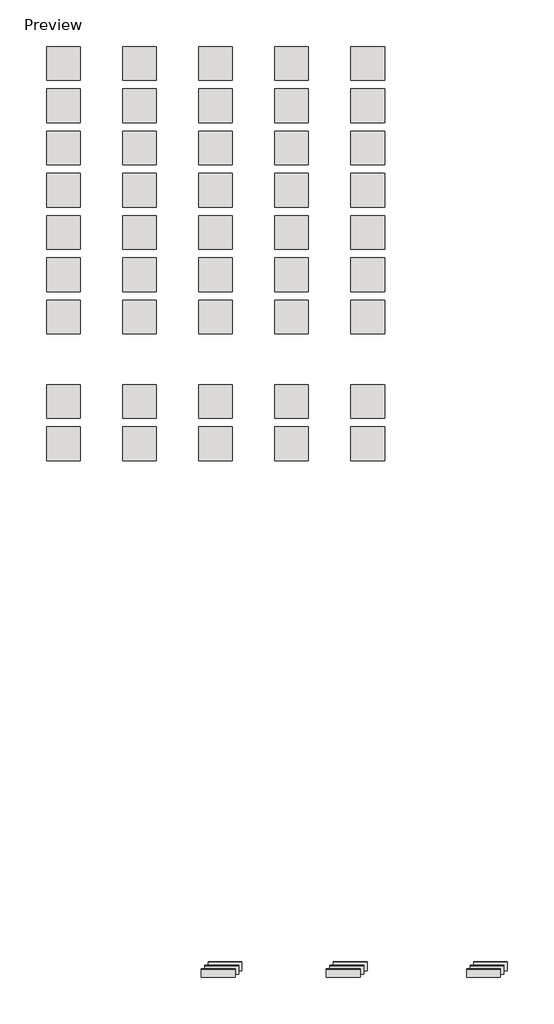
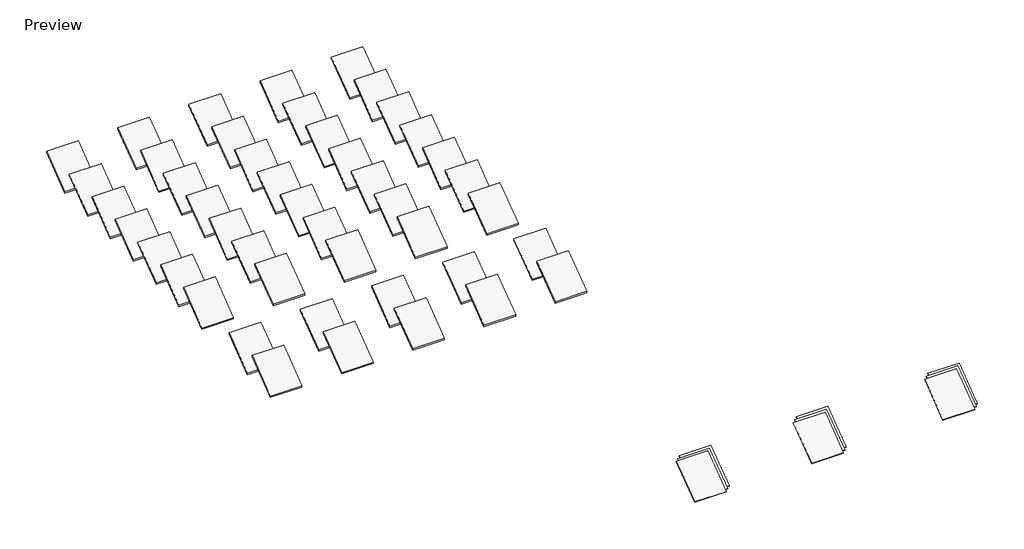
# One storey: 54 roofs.
"""IFC4 building model written with IfcOpenShell, lengths in millimetres."""

from ifc_helpers import new_model, si_unit, frame, origin, place, context, project, spatial, polyline, outline, extrude, element, save

model = new_model("IFC4")

# Units and contexts
model_context = context("Model", 3, world=origin())
ifc_project = project(units=[si_unit("LENGTHUNIT", "METRE", prefix="MILLI")], contexts=[model_context])

# Site, building, storey
site = spatial("IfcSite", under=ifc_project)
building = spatial("IfcBuilding", under=site)
storey = spatial("IfcBuildingStorey", under=building, Name="Preview", Elevation=0.0)

# Roofs
placement = place(None, origin())
element("IfcRoof", 1, at=placement, inside=storey, context=model_context, shape_type="SweptSolid", body=[
    extrude(outline(polyline([(-10482.4958694, 65.484375), (-4386.4958694, 4637.484375), (-4386.4958694, 4572.0), (-10482.4958694, 0.0), (-10482.4958694, 65.484375)])), frame((6738.8869015, 0.0, 0.0), z_axis=(1.0, 0.0, 0.0), x_axis=(0.0, 1.0, 0.0)), (0.0, 0.0, 1.0), 6096.0),
])
element("IfcRoof", 2, at=placement, inside=storey, context=model_context, shape_type="SweptSolid", body=[
    extrude(outline(polyline([(-10482.4958694, 65.484375), (-4386.4958694, 4637.484375), (-4386.4958694, 4572.0), (-10482.4958694, 0.0), (-10482.4958694, 65.484375)])), frame((32037.2869015, 0.0, 0.0), z_axis=(1.0, 0.0, 0.0), x_axis=(0.0, 1.0, 0.0)), (0.0, 0.0, 1.0), 6096.0),
])
element("IfcRoof", 3, at=placement, inside=storey, context=model_context, shape_type="SweptSolid", body=[
    extrude(outline(polyline([(-9293.4062461, 65.484375), (-3197.4062461, 4637.484375), (-3197.4062461, 4572.0), (-9293.4062461, 0.0), (-9293.4062461, 65.484375)])), frame((-14586.0155177, 0.0, 0.0), z_axis=(1.0, 0.0, 0.0), x_axis=(0.0, 1.0, 0.0)), (0.0, 0.0, 1.0), 6096.0),
])
element("IfcRoof", 4, at=placement, inside=storey, context=model_context, shape_type="SweptSolid", body=[
    extrude(outline(polyline([(-9293.4062461, 65.484375), (-3197.4062461, 4637.484375), (-3197.4062461, 4572.0), (-9293.4062461, 0.0), (-9293.4062461, 65.484375)])), frame((7969.1844823, 0.0, 0.0), z_axis=(1.0, 0.0, 0.0), x_axis=(0.0, 1.0, 0.0)), (0.0, 0.0, 1.0), 6096.0),
])
element("IfcRoof", 5, at=placement, inside=storey, context=model_context, shape_type="SweptSolid", body=[
    extrude(outline(polyline([(-9293.4062461, 65.484375), (-3197.4062461, 4637.484375), (-3197.4062461, 4572.0), (-9293.4062461, 0.0), (-9293.4062461, 65.484375)])), frame((33267.5844823, 0.0, 0.0), z_axis=(1.0, 0.0, 0.0), x_axis=(0.0, 1.0, 0.0)), (0.0, 0.0, 1.0), 6096.0),
])
element("IfcRoof", 6, at=placement, inside=storey, context=model_context, shape_type="SweptSolid", body=[
    extrude(outline(polyline([(-10482.4958694, 65.484375), (-4386.4958694, 4637.484375), (-4386.4958694, 4572.0), (-10482.4958694, 0.0), (-10482.4958694, 65.484375)])), frame((-15816.3130985, 0.0, 0.0), z_axis=(1.0, 0.0, 0.0), x_axis=(0.0, 1.0, 0.0)), (0.0, 0.0, 1.0), 6096.0),
])
element("IfcRoof", 7, at=placement, inside=storey, context=model_context, shape_type="SweptSolid", body=[
    extrude(outline(polyline([(-9876.114374, 65.484375), (-3780.114374, 4637.484375), (-3780.114374, 4572.0), (-9876.114374, 0.0), (-9876.114374, 65.484375)])), frame((7359.5844823, 0.0, 0.0), z_axis=(1.0, 0.0, 0.0), x_axis=(0.0, 1.0, 0.0)), (0.0, 0.0, 1.0), 6096.0),
])
element("IfcRoof", 8, at=placement, inside=storey, context=model_context, shape_type="SweptSolid", body=[
    extrude(outline(polyline([(-9876.114374, 65.484375), (-3780.114374, 4637.484375), (-3780.114374, 4572.0), (-9876.114374, 0.0), (-9876.114374, 65.484375)])), frame((32657.9844823, 0.0, 0.0), z_axis=(1.0, 0.0, 0.0), x_axis=(0.0, 1.0, 0.0)), (0.0, 0.0, 1.0), 6096.0),
])
element("IfcRoof", 9, at=placement, inside=storey, context=model_context, shape_type="SweptSolid", body=[
    extrude(outline(polyline([(-9876.114374, 65.484375), (-3780.114374, 4637.484375), (-3780.114374, 4572.0), (-9876.114374, 0.0), (-9876.114374, 65.484375)])), frame((-15195.6155177, 0.0, 0.0), z_axis=(1.0, 0.0, 0.0), x_axis=(0.0, 1.0, 0.0)), (0.0, 0.0, 1.0), 6096.0),
])
element("IfcRoof", 10, at=placement, inside=storey, context=model_context, shape_type="SweptSolid", body=[
    extrude(outline(polyline([(82744.405413, -25116.3184887), (88840.405413, -20544.3184887), (88840.405413, -20830.0684887), (82744.405413, -25402.0684887), (82744.405413, -25116.3184887)])), frame((-43742.1296739, 0.0, 0.0), z_axis=(1.0, 0.0, 0.0), x_axis=(0.0, 1.0, 0.0)), (0.0, 0.0, 1.0), 6096.0),
])
element("IfcRoof", 11, at=placement, inside=storey, context=model_context, shape_type="SweptSolid", body=[
    extrude(outline(polyline([(82744.405413, -25116.3184887), (88840.405413, -20544.3184887), (88840.405413, -20830.0684887), (82744.405413, -25402.0684887), (82744.405413, -25116.3184887)])), frame((-30026.1296739, 0.0, 0.0), z_axis=(1.0, 0.0, 0.0), x_axis=(0.0, 1.0, 0.0)), (0.0, 0.0, 1.0), 6096.0),
])
element("IfcRoof", 12, at=placement, inside=storey, context=model_context, shape_type="SweptSolid", body=[
    extrude(outline(polyline([(82744.405413, -25116.3184887), (88840.405413, -20544.3184887), (88840.405413, -20830.0684887), (82744.405413, -25402.0684887), (82744.405413, -25116.3184887)])), frame((-16310.1296739, 0.0, 0.0), z_axis=(1.0, 0.0, 0.0), x_axis=(0.0, 1.0, 0.0)), (0.0, 0.0, 1.0), 6096.0),
])
element("IfcRoof", 13, at=placement, inside=storey, context=model_context, shape_type="SweptSolid", body=[
    extrude(outline(polyline([(82744.405413, -25116.3184887), (88840.405413, -20544.3184887), (88840.405413, -20830.0684887), (82744.405413, -25402.0684887), (82744.405413, -25116.3184887)])), frame((-2594.1296739, 0.0, 0.0), z_axis=(1.0, 0.0, 0.0), x_axis=(0.0, 1.0, 0.0)), (0.0, 0.0, 1.0), 6096.0),
])
element("IfcRoof", 14, at=placement, inside=storey, context=model_context, shape_type="SweptSolid", body=[
    extrude(outline(polyline([(82744.405413, -25116.3184887), (88840.405413, -20544.3184887), (88840.405413, -20830.0684887), (82744.405413, -25402.0684887), (82744.405413, -25116.3184887)])), frame((11121.8703261, 0.0, 0.0), z_axis=(1.0, 0.0, 0.0), x_axis=(0.0, 1.0, 0.0)), (0.0, 0.0, 1.0), 6096.0),
])
element("IfcRoof", 15, at=placement, inside=storey, context=model_context, shape_type="SweptSolid", body=[
    extrude(outline(polyline([(90364.405413, -25116.3184887), (96460.405413, -20544.3184887), (96460.405413, -20830.0684887), (90364.405413, -25402.0684887), (90364.405413, -25116.3184887)])), frame((-43742.1296739, 0.0, 0.0), z_axis=(1.0, 0.0, 0.0), x_axis=(0.0, 1.0, 0.0)), (0.0, 0.0, 1.0), 6096.0),
])
element("IfcRoof", 16, at=placement, inside=storey, context=model_context, shape_type="SweptSolid", body=[
    extrude(outline(polyline([(90364.405413, -25116.3184887), (96460.405413, -20544.3184887), (96460.405413, -20830.0684887), (90364.405413, -25402.0684887), (90364.405413, -25116.3184887)])), frame((-30026.1296739, 0.0, 0.0), z_axis=(1.0, 0.0, 0.0), x_axis=(0.0, 1.0, 0.0)), (0.0, 0.0, 1.0), 6096.0),
])
element("IfcRoof", 17, at=placement, inside=storey, context=model_context, shape_type="SweptSolid", body=[
    extrude(outline(polyline([(90364.405413, -25116.3184887), (96460.405413, -20544.3184887), (96460.405413, -20830.0684887), (90364.405413, -25402.0684887), (90364.405413, -25116.3184887)])), frame((-16310.1296739, 0.0, 0.0), z_axis=(1.0, 0.0, 0.0), x_axis=(0.0, 1.0, 0.0)), (0.0, 0.0, 1.0), 6096.0),
])
element("IfcRoof", 18, at=placement, inside=storey, context=model_context, shape_type="SweptSolid", body=[
    extrude(outline(polyline([(90364.405413, -25116.3184887), (96460.405413, -20544.3184887), (96460.405413, -20830.0684887), (90364.405413, -25402.0684887), (90364.405413, -25116.3184887)])), frame((-2594.1296739, 0.0, 0.0), z_axis=(1.0, 0.0, 0.0), x_axis=(0.0, 1.0, 0.0)), (0.0, 0.0, 1.0), 6096.0),
])
element("IfcRoof", 19, at=placement, inside=storey, context=model_context, shape_type="SweptSolid", body=[
    extrude(outline(polyline([(90364.405413, -25116.3184887), (96460.405413, -20544.3184887), (96460.405413, -20830.0684887), (90364.405413, -25402.0684887), (90364.405413, -25116.3184887)])), frame((11121.8703261, 0.0, 0.0), z_axis=(1.0, 0.0, 0.0), x_axis=(0.0, 1.0, 0.0)), (0.0, 0.0, 1.0), 6096.0),
])
element("IfcRoof", 20, at=placement, inside=storey, context=model_context, shape_type="SweptSolid", body=[
    extrude(outline(polyline([(105604.405413, -25116.3184887), (111700.405413, -20544.3184887), (111700.405413, -20830.0684887), (105604.405413, -25402.0684887), (105604.405413, -25116.3184887)])), frame((-43742.1296739, 0.0, 0.0), z_axis=(1.0, 0.0, 0.0), x_axis=(0.0, 1.0, 0.0)), (0.0, 0.0, 1.0), 6096.0),
])
element("IfcRoof", 21, at=placement, inside=storey, context=model_context, shape_type="SweptSolid", body=[
    extrude(outline(polyline([(105604.405413, -25116.3184887), (111700.405413, -20544.3184887), (111700.405413, -20830.0684887), (105604.405413, -25402.0684887), (105604.405413, -25116.3184887)])), frame((-30026.1296739, 0.0, 0.0), z_axis=(1.0, 0.0, 0.0), x_axis=(0.0, 1.0, 0.0)), (0.0, 0.0, 1.0), 6096.0),
])
element("IfcRoof", 22, at=placement, inside=storey, context=model_context, shape_type="SweptSolid", body=[
    extrude(outline(polyline([(105604.405413, -25116.3184887), (111700.405413, -20544.3184887), (111700.405413, -20830.0684887), (105604.405413, -25402.0684887), (105604.405413, -25116.3184887)])), frame((-16310.1296739, 0.0, 0.0), z_axis=(1.0, 0.0, 0.0), x_axis=(0.0, 1.0, 0.0)), (0.0, 0.0, 1.0), 6096.0),
])
element("IfcRoof", 23, at=placement, inside=storey, context=model_context, shape_type="SweptSolid", body=[
    extrude(outline(polyline([(105604.405413, -25116.3184887), (111700.405413, -20544.3184887), (111700.405413, -20830.0684887), (105604.405413, -25402.0684887), (105604.405413, -25116.3184887)])), frame((-2594.1296739, 0.0, 0.0), z_axis=(1.0, 0.0, 0.0), x_axis=(0.0, 1.0, 0.0)), (0.0, 0.0, 1.0), 6096.0),
])
element("IfcRoof", 24, at=placement, inside=storey, context=model_context, shape_type="SweptSolid", body=[
    extrude(outline(polyline([(105604.405413, -25116.3184887), (111700.405413, -20544.3184887), (111700.405413, -20830.0684887), (105604.405413, -25402.0684887), (105604.405413, -25116.3184887)])), frame((11121.8703261, 0.0, 0.0), z_axis=(1.0, 0.0, 0.0), x_axis=(0.0, 1.0, 0.0)), (0.0, 0.0, 1.0), 6096.0),
])
element("IfcRoof", 25, at=placement, inside=storey, context=model_context, shape_type="SweptSolid", body=[
    extrude(outline(polyline([(113224.405413, -25116.3184887), (119320.405413, -20544.3184887), (119320.405413, -20830.0684887), (113224.405413, -25402.0684887), (113224.405413, -25116.3184887)])), frame((-43742.1296739, 0.0, 0.0), z_axis=(1.0, 0.0, 0.0), x_axis=(0.0, 1.0, 0.0)), (0.0, 0.0, 1.0), 6096.0),
])
element("IfcRoof", 26, at=placement, inside=storey, context=model_context, shape_type="SweptSolid", body=[
    extrude(outline(polyline([(113224.405413, -25116.3184887), (119320.405413, -20544.3184887), (119320.405413, -20830.0684887), (113224.405413, -25402.0684887), (113224.405413, -25116.3184887)])), frame((-30026.1296739, 0.0, 0.0), z_axis=(1.0, 0.0, 0.0), x_axis=(0.0, 1.0, 0.0)), (0.0, 0.0, 1.0), 6096.0),
])
element("IfcRoof", 27, at=placement, inside=storey, context=model_context, shape_type="SweptSolid", body=[
    extrude(outline(polyline([(113224.405413, -25116.3184887), (119320.405413, -20544.3184887), (119320.405413, -20830.0684887), (113224.405413, -25402.0684887), (113224.405413, -25116.3184887)])), frame((-16310.1296739, 0.0, 0.0), z_axis=(1.0, 0.0, 0.0), x_axis=(0.0, 1.0, 0.0)), (0.0, 0.0, 1.0), 6096.0),
])
element("IfcRoof", 28, at=placement, inside=storey, context=model_context, shape_type="SweptSolid", body=[
    extrude(outline(polyline([(113224.405413, -25116.3184887), (119320.405413, -20544.3184887), (119320.405413, -20830.0684887), (113224.405413, -25402.0684887), (113224.405413, -25116.3184887)])), frame((-2594.1296739, 0.0, 0.0), z_axis=(1.0, 0.0, 0.0), x_axis=(0.0, 1.0, 0.0)), (0.0, 0.0, 1.0), 6096.0),
])
element("IfcRoof", 29, at=placement, inside=storey, context=model_context, shape_type="SweptSolid", body=[
    extrude(outline(polyline([(113224.405413, -25116.3184887), (119320.405413, -20544.3184887), (119320.405413, -20830.0684887), (113224.405413, -25402.0684887), (113224.405413, -25116.3184887)])), frame((11121.8703261, 0.0, 0.0), z_axis=(1.0, 0.0, 0.0), x_axis=(0.0, 1.0, 0.0)), (0.0, 0.0, 1.0), 6096.0),
])
element("IfcRoof", 30, at=placement, inside=storey, context=model_context, shape_type="SweptSolid", body=[
    extrude(outline(polyline([(120844.405413, -25116.3184887), (126940.405413, -20544.3184887), (126940.405413, -20830.0684887), (120844.405413, -25402.0684887), (120844.405413, -25116.3184887)])), frame((-43742.1296739, 0.0, 0.0), z_axis=(1.0, 0.0, 0.0), x_axis=(0.0, 1.0, 0.0)), (0.0, 0.0, 1.0), 6096.0),
])
element("IfcRoof", 31, at=placement, inside=storey, context=model_context, shape_type="SweptSolid", body=[
    extrude(outline(polyline([(120844.405413, -25116.3184887), (126940.405413, -20544.3184887), (126940.405413, -20830.0684887), (120844.405413, -25402.0684887), (120844.405413, -25116.3184887)])), frame((-30026.1296739, 0.0, 0.0), z_axis=(1.0, 0.0, 0.0), x_axis=(0.0, 1.0, 0.0)), (0.0, 0.0, 1.0), 6096.0),
])
element("IfcRoof", 32, at=placement, inside=storey, context=model_context, shape_type="SweptSolid", body=[
    extrude(outline(polyline([(120844.405413, -25116.3184887), (126940.405413, -20544.3184887), (126940.405413, -20830.0684887), (120844.405413, -25402.0684887), (120844.405413, -25116.3184887)])), frame((-16310.1296739, 0.0, 0.0), z_axis=(1.0, 0.0, 0.0), x_axis=(0.0, 1.0, 0.0)), (0.0, 0.0, 1.0), 6096.0),
])
element("IfcRoof", 33, at=placement, inside=storey, context=model_context, shape_type="SweptSolid", body=[
    extrude(outline(polyline([(120844.405413, -25116.3184887), (126940.405413, -20544.3184887), (126940.405413, -20830.0684887), (120844.405413, -25402.0684887), (120844.405413, -25116.3184887)])), frame((-2594.1296739, 0.0, 0.0), z_axis=(1.0, 0.0, 0.0), x_axis=(0.0, 1.0, 0.0)), (0.0, 0.0, 1.0), 6096.0),
])
element("IfcRoof", 34, at=placement, inside=storey, context=model_context, shape_type="SweptSolid", body=[
    extrude(outline(polyline([(120844.405413, -25116.3184887), (126940.405413, -20544.3184887), (126940.405413, -20830.0684887), (120844.405413, -25402.0684887), (120844.405413, -25116.3184887)])), frame((11121.8703261, 0.0, 0.0), z_axis=(1.0, 0.0, 0.0), x_axis=(0.0, 1.0, 0.0)), (0.0, 0.0, 1.0), 6096.0),
])
element("IfcRoof", 35, at=placement, inside=storey, context=model_context, shape_type="SweptSolid", body=[
    extrude(outline(polyline([(128464.405413, -25116.3184887), (134560.405413, -20544.3184887), (134560.405413, -20830.0684887), (128464.405413, -25402.0684887), (128464.405413, -25116.3184887)])), frame((-43742.1296739, 0.0, 0.0), z_axis=(1.0, 0.0, 0.0), x_axis=(0.0, 1.0, 0.0)), (0.0, 0.0, 1.0), 6096.0),
])
element("IfcRoof", 36, at=placement, inside=storey, context=model_context, shape_type="SweptSolid", body=[
    extrude(outline(polyline([(128464.405413, -25116.3184887), (134560.405413, -20544.3184887), (134560.405413, -20830.0684887), (128464.405413, -25402.0684887), (128464.405413, -25116.3184887)])), frame((-30026.1296739, 0.0, 0.0), z_axis=(1.0, 0.0, 0.0), x_axis=(0.0, 1.0, 0.0)), (0.0, 0.0, 1.0), 6096.0),
])
element("IfcRoof", 37, at=placement, inside=storey, context=model_context, shape_type="SweptSolid", body=[
    extrude(outline(polyline([(128464.405413, -25116.3184887), (134560.405413, -20544.3184887), (134560.405413, -20830.0684887), (128464.405413, -25402.0684887), (128464.405413, -25116.3184887)])), frame((-16310.1296739, 0.0, 0.0), z_axis=(1.0, 0.0, 0.0), x_axis=(0.0, 1.0, 0.0)), (0.0, 0.0, 1.0), 6096.0),
])
element("IfcRoof", 38, at=placement, inside=storey, context=model_context, shape_type="SweptSolid", body=[
    extrude(outline(polyline([(128464.405413, -25116.3184887), (134560.405413, -20544.3184887), (134560.405413, -20830.0684887), (128464.405413, -25402.0684887), (128464.405413, -25116.3184887)])), frame((-2594.1296739, 0.0, 0.0), z_axis=(1.0, 0.0, 0.0), x_axis=(0.0, 1.0, 0.0)), (0.0, 0.0, 1.0), 6096.0),
])
element("IfcRoof", 39, at=placement, inside=storey, context=model_context, shape_type="SweptSolid", body=[
    extrude(outline(polyline([(128464.405413, -25116.3184887), (134560.405413, -20544.3184887), (134560.405413, -20830.0684887), (128464.405413, -25402.0684887), (128464.405413, -25116.3184887)])), frame((11121.8703261, 0.0, 0.0), z_axis=(1.0, 0.0, 0.0), x_axis=(0.0, 1.0, 0.0)), (0.0, 0.0, 1.0), 6096.0),
])
element("IfcRoof", 40, at=placement, inside=storey, context=model_context, shape_type="SweptSolid", body=[
    extrude(outline(polyline([(136084.405413, -25116.3184887), (142180.405413, -20544.3184887), (142180.405413, -20830.0684887), (136084.405413, -25402.0684887), (136084.405413, -25116.3184887)])), frame((-43742.1296739, 0.0, 0.0), z_axis=(1.0, 0.0, 0.0), x_axis=(0.0, 1.0, 0.0)), (0.0, 0.0, 1.0), 6096.0),
])
element("IfcRoof", 41, at=placement, inside=storey, context=model_context, shape_type="SweptSolid", body=[
    extrude(outline(polyline([(136084.405413, -25116.3184887), (142180.405413, -20544.3184887), (142180.405413, -20830.0684887), (136084.405413, -25402.0684887), (136084.405413, -25116.3184887)])), frame((-30026.1296739, 0.0, 0.0), z_axis=(1.0, 0.0, 0.0), x_axis=(0.0, 1.0, 0.0)), (0.0, 0.0, 1.0), 6096.0),
])
element("IfcRoof", 42, at=placement, inside=storey, context=model_context, shape_type="SweptSolid", body=[
    extrude(outline(polyline([(136084.405413, -25116.3184887), (142180.405413, -20544.3184887), (142180.405413, -20830.0684887), (136084.405413, -25402.0684887), (136084.405413, -25116.3184887)])), frame((-16310.1296739, 0.0, 0.0), z_axis=(1.0, 0.0, 0.0), x_axis=(0.0, 1.0, 0.0)), (0.0, 0.0, 1.0), 6096.0),
])
element("IfcRoof", 43, at=placement, inside=storey, context=model_context, shape_type="SweptSolid", body=[
    extrude(outline(polyline([(136084.405413, -25116.3184887), (142180.405413, -20544.3184887), (142180.405413, -20830.0684887), (136084.405413, -25402.0684887), (136084.405413, -25116.3184887)])), frame((-2594.1296739, 0.0, 0.0), z_axis=(1.0, 0.0, 0.0), x_axis=(0.0, 1.0, 0.0)), (0.0, 0.0, 1.0), 6096.0),
])
element("IfcRoof", 44, at=placement, inside=storey, context=model_context, shape_type="SweptSolid", body=[
    extrude(outline(polyline([(136084.405413, -25116.3184887), (142180.405413, -20544.3184887), (142180.405413, -20830.0684887), (136084.405413, -25402.0684887), (136084.405413, -25116.3184887)])), frame((11121.8703261, 0.0, 0.0), z_axis=(1.0, 0.0, 0.0), x_axis=(0.0, 1.0, 0.0)), (0.0, 0.0, 1.0), 6096.0),
])
element("IfcRoof", 45, at=placement, inside=storey, context=model_context, shape_type="SweptSolid", body=[
    extrude(outline(polyline([(143704.405413, -25116.3184887), (149800.405413, -20544.3184887), (149800.405413, -20830.0684887), (143704.405413, -25402.0684887), (143704.405413, -25116.3184887)])), frame((-43742.1296739, 0.0, 0.0), z_axis=(1.0, 0.0, 0.0), x_axis=(0.0, 1.0, 0.0)), (0.0, 0.0, 1.0), 6096.0),
])
element("IfcRoof", 46, at=placement, inside=storey, context=model_context, shape_type="SweptSolid", body=[
    extrude(outline(polyline([(143704.405413, -25116.3184887), (149800.405413, -20544.3184887), (149800.405413, -20830.0684887), (143704.405413, -25402.0684887), (143704.405413, -25116.3184887)])), frame((-30026.1296739, 0.0, 0.0), z_axis=(1.0, 0.0, 0.0), x_axis=(0.0, 1.0, 0.0)), (0.0, 0.0, 1.0), 6096.0),
])
element("IfcRoof", 47, at=placement, inside=storey, context=model_context, shape_type="SweptSolid", body=[
    extrude(outline(polyline([(143704.405413, -25116.3184887), (149800.405413, -20544.3184887), (149800.405413, -20830.0684887), (143704.405413, -25402.0684887), (143704.405413, -25116.3184887)])), frame((-16310.1296739, 0.0, 0.0), z_axis=(1.0, 0.0, 0.0), x_axis=(0.0, 1.0, 0.0)), (0.0, 0.0, 1.0), 6096.0),
])
element("IfcRoof", 48, at=placement, inside=storey, context=model_context, shape_type="SweptSolid", body=[
    extrude(outline(polyline([(143704.405413, -25116.3184887), (149800.405413, -20544.3184887), (149800.405413, -20830.0684887), (143704.405413, -25402.0684887), (143704.405413, -25116.3184887)])), frame((-2594.1296739, 0.0, 0.0), z_axis=(1.0, 0.0, 0.0), x_axis=(0.0, 1.0, 0.0)), (0.0, 0.0, 1.0), 6096.0),
])
element("IfcRoof", 49, at=placement, inside=storey, context=model_context, shape_type="SweptSolid", body=[
    extrude(outline(polyline([(143704.405413, -25116.3184887), (149800.405413, -20544.3184887), (149800.405413, -20830.0684887), (143704.405413, -25402.0684887), (143704.405413, -25116.3184887)])), frame((11121.8703261, 0.0, 0.0), z_axis=(1.0, 0.0, 0.0), x_axis=(0.0, 1.0, 0.0)), (0.0, 0.0, 1.0), 6096.0),
])
element("IfcRoof", 50, at=placement, inside=storey, context=model_context, shape_type="SweptSolid", body=[
    extrude(outline(polyline([(151324.405413, -25116.3184887), (157420.405413, -20544.3184887), (157420.405413, -20830.0684887), (151324.405413, -25402.0684887), (151324.405413, -25116.3184887)])), frame((-43742.1296739, 0.0, 0.0), z_axis=(1.0, 0.0, 0.0), x_axis=(0.0, 1.0, 0.0)), (0.0, 0.0, 1.0), 6096.0),
])
element("IfcRoof", 51, at=placement, inside=storey, context=model_context, shape_type="SweptSolid", body=[
    extrude(outline(polyline([(151324.405413, -25116.3184887), (157420.405413, -20544.3184887), (157420.405413, -20830.0684887), (151324.405413, -25402.0684887), (151324.405413, -25116.3184887)])), frame((-30026.1296739, 0.0, 0.0), z_axis=(1.0, 0.0, 0.0), x_axis=(0.0, 1.0, 0.0)), (0.0, 0.0, 1.0), 6096.0),
])
element("IfcRoof", 52, at=placement, inside=storey, context=model_context, shape_type="SweptSolid", body=[
    extrude(outline(polyline([(151324.405413, -25116.3184887), (157420.405413, -20544.3184887), (157420.405413, -20830.0684887), (151324.405413, -25402.0684887), (151324.405413, -25116.3184887)])), frame((-16310.1296739, 0.0, 0.0), z_axis=(1.0, 0.0, 0.0), x_axis=(0.0, 1.0, 0.0)), (0.0, 0.0, 1.0), 6096.0),
])
element("IfcRoof", 53, at=placement, inside=storey, context=model_context, shape_type="SweptSolid", body=[
    extrude(outline(polyline([(151324.405413, -25116.3184887), (157420.405413, -20544.3184887), (157420.405413, -20830.0684887), (151324.405413, -25402.0684887), (151324.405413, -25116.3184887)])), frame((-2594.1296739, 0.0, 0.0), z_axis=(1.0, 0.0, 0.0), x_axis=(0.0, 1.0, 0.0)), (0.0, 0.0, 1.0), 6096.0),
])
element("IfcRoof", 54, at=placement, inside=storey, context=model_context, shape_type="SweptSolid", body=[
    extrude(outline(polyline([(151324.405413, -25116.3184887), (157420.405413, -20544.3184887), (157420.405413, -20830.0684887), (151324.405413, -25402.0684887), (151324.405413, -25116.3184887)])), frame((11121.8703261, 0.0, 0.0), z_axis=(1.0, 0.0, 0.0), x_axis=(0.0, 1.0, 0.0)), (0.0, 0.0, 1.0), 6096.0),
])

save(model, "model.ifc")
